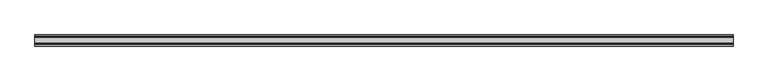
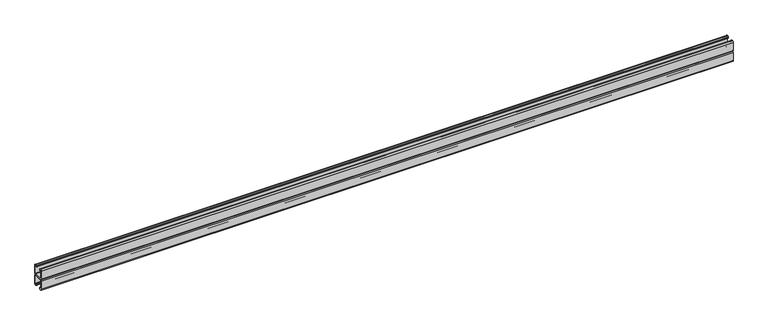
"""IFC4 building model written with IfcOpenShell, lengths in millimetres: proxy geometry."""

from ifc_helpers import new_model, si_unit, point, frame, frame_2d, origin, place, context, project, spatial, polyline, circle_curve, trimmed, segment, composite_curve, outline, extrude, source, transform, mapped, element, save


def specialty_equipment_af4a798a(model_context):
    return source(origin(), model_context, "Body", "SweptSolid", [
        extrude(outline(composite_curve([segment(polyline([(-16.5186879, 2943.733), (16.5186879, 2943.733)]), True, "CONTINUOUS"), segment(trimmed(circle_curve(frame_2d((16.5186879, 2945.1848121)), 1.4518121), [point((16.5186879, 2943.733))], [point((17.9705, 2945.1848121))], True, "CARTESIAN"), True, "CONTINUOUS"), segment(polyline([(17.9705, 2945.1848121), (17.9705, 2977.066)]), True, "CONTINUOUS"), segment(trimmed(circle_curve(frame_2d((15.6705, 2977.066)), 2.3), [point((17.9705, 2977.066))], [point((15.6705, 2979.366))], True, "CARTESIAN"), True, "CONTINUOUS"), segment(polyline([(15.6705, 2979.366), (14.4936781, 2979.366)]), True, "CONTINUOUS"), segment(trimmed(circle_curve(frame_2d((14.4936781, 2978.6518219)), 0.7141781), [point((14.4936781, 2979.366))], [point((13.7795, 2978.6518219))], True, "CARTESIAN"), True, "CONTINUOUS"), segment(polyline([(13.7795, 2978.6518219), (13.7795, 2976.2621)]), True, "CONTINUOUS"), segment(trimmed(circle_curve(frame_2d((12.446, 2976.2621)), 1.3335), [point((13.7795, 2976.2621))], [point((11.1125, 2976.2621))], False, "CARTESIAN"), True, "CONTINUOUS"), segment(polyline([(11.1125, 2976.2621), (11.1125, 2978.6518219)]), True, "CONTINUOUS"), segment(trimmed(circle_curve(frame_2d((14.5266781, 2978.6518219)), 3.4141781), [point((11.1125, 2978.6518219))], [point((14.5266781, 2982.066))], False, "CARTESIAN"), True, "CONTINUOUS"), segment(polyline([(14.5266781, 2982.066), (15.6705, 2982.066)]), True, "CONTINUOUS"), segment(trimmed(circle_curve(frame_2d((15.6705, 2977.066)), 5.0), [point((15.6705, 2982.066))], [point((20.6705, 2977.066))], False, "CARTESIAN"), True, "CONTINUOUS"), segment(polyline([(20.6705, 2977.066), (20.6705, 2945.1848121)]), True, "CONTINUOUS"), segment(trimmed(circle_curve(frame_2d((16.5186879, 2945.1848121)), 4.1518121), [point((20.6705, 2945.1848121))], [point((16.5186879, 2941.033))], False, "CARTESIAN"), True, "CONTINUOUS"), segment(polyline([(16.5186879, 2941.033), (-16.5186879, 2941.033)]), True, "CONTINUOUS"), segment(trimmed(circle_curve(frame_2d((-16.5186879, 2945.1848121)), 4.1518121), [point((-16.5186879, 2941.033))], [point((-20.6705, 2945.1848121))], False, "CARTESIAN"), True, "CONTINUOUS"), segment(polyline([(-20.6705, 2945.1848121), (-20.6705, 2977.066)]), True, "CONTINUOUS"), segment(trimmed(circle_curve(frame_2d((-15.6705, 2977.066)), 5.0), [point((-20.6705, 2977.066))], [point((-15.6705, 2982.066))], False, "CARTESIAN"), True, "CONTINUOUS"), segment(polyline([(-15.6705, 2982.066), (-14.5266781, 2982.066)]), True, "CONTINUOUS"), segment(trimmed(circle_curve(frame_2d((-14.5266781, 2978.6518219)), 3.4141781), [point((-14.5266781, 2982.066))], [point((-11.1125, 2978.6518219))], False, "CARTESIAN"), True, "CONTINUOUS"), segment(polyline([(-11.1125, 2978.6518219), (-11.1125, 2976.2621)]), True, "CONTINUOUS"), segment(trimmed(circle_curve(frame_2d((-12.446, 2976.2621)), 1.3335), [point((-11.1125, 2976.2621))], [point((-13.7795, 2976.2621))], False, "CARTESIAN"), True, "CONTINUOUS"), segment(polyline([(-13.7795, 2976.2621), (-13.7795, 2978.6518219)]), True, "CONTINUOUS"), segment(trimmed(circle_curve(frame_2d((-14.4936781, 2978.6518219)), 0.7141781), [point((-13.7795, 2978.6518219))], [point((-14.4936781, 2979.366))], True, "CARTESIAN"), True, "CONTINUOUS"), segment(polyline([(-14.4936781, 2979.366), (-15.6705, 2979.366)]), True, "CONTINUOUS"), segment(trimmed(circle_curve(frame_2d((-15.6705, 2977.066)), 2.3), [point((-15.6705, 2979.366))], [point((-17.9705, 2977.066))], True, "CARTESIAN"), True, "CONTINUOUS"), segment(polyline([(-17.9705, 2977.066), (-17.9705, 2945.1848121)]), True, "CONTINUOUS"), segment(trimmed(circle_curve(frame_2d((-16.5186879, 2945.1848121)), 1.4518121), [point((-17.9705, 2945.1848121))], [point((-16.5186879, 2943.733))], True, "CARTESIAN"), True, "CONTINUOUS")], self_intersect=False)), frame((-1293.5, 0.0, 0.0), z_axis=(1.0, 0.0, 0.0), x_axis=(0.0, 1.0, 0.0)), (0.0, 0.0, 1.0), 2587.0),
        extrude(outline(composite_curve([segment(polyline([(16.5186879, 2938.333), (-16.5186879, 2938.333)]), True, "CONTINUOUS"), segment(trimmed(circle_curve(frame_2d((-16.5186879, 2936.8811879)), 1.4518121), [point((-16.5186879, 2938.333))], [point((-17.9705, 2936.8811879))], True, "CARTESIAN"), True, "CONTINUOUS"), segment(polyline([(-17.9705, 2936.8811879), (-17.9705, 2905.0)]), True, "CONTINUOUS"), segment(trimmed(circle_curve(frame_2d((-15.6705, 2905.0)), 2.3), [point((-17.9705, 2905.0))], [point((-15.6705, 2902.7))], True, "CARTESIAN"), True, "CONTINUOUS"), segment(polyline([(-15.6705, 2902.7), (-14.4936781, 2902.7)]), True, "CONTINUOUS"), segment(trimmed(circle_curve(frame_2d((-14.4936781, 2903.4141781)), 0.7141781), [point((-14.4936781, 2902.7))], [point((-13.7795, 2903.4141781))], True, "CARTESIAN"), True, "CONTINUOUS"), segment(polyline([(-13.7795, 2903.4141781), (-13.7795, 2905.8039)]), True, "CONTINUOUS"), segment(trimmed(circle_curve(frame_2d((-12.446, 2905.8039)), 1.3335), [point((-13.7795, 2905.8039))], [point((-11.1125, 2905.8039))], False, "CARTESIAN"), True, "CONTINUOUS"), segment(polyline([(-11.1125, 2905.8039), (-11.1125, 2903.4141781)]), True, "CONTINUOUS"), segment(trimmed(circle_curve(frame_2d((-14.5266781, 2903.4141781)), 3.4141781), [point((-11.1125, 2903.4141781))], [point((-14.5266781, 2900.0))], False, "CARTESIAN"), True, "CONTINUOUS"), segment(polyline([(-14.5266781, 2900.0), (-15.6705, 2900.0)]), True, "CONTINUOUS"), segment(trimmed(circle_curve(frame_2d((-15.6705, 2905.0)), 5.0), [point((-15.6705, 2900.0))], [point((-20.6705, 2905.0))], False, "CARTESIAN"), True, "CONTINUOUS"), segment(polyline([(-20.6705, 2905.0), (-20.6705, 2936.8811879)]), True, "CONTINUOUS"), segment(trimmed(circle_curve(frame_2d((-16.5186879, 2936.8811879)), 4.1518121), [point((-20.6705, 2936.8811879))], [point((-16.5186879, 2941.033))], False, "CARTESIAN"), True, "CONTINUOUS"), segment(polyline([(-16.5186879, 2941.033), (16.5186879, 2941.033)]), True, "CONTINUOUS"), segment(trimmed(circle_curve(frame_2d((16.5186879, 2936.8811879)), 4.1518121), [point((16.5186879, 2941.033))], [point((20.6705, 2936.8811879))], False, "CARTESIAN"), True, "CONTINUOUS"), segment(polyline([(20.6705, 2936.8811879), (20.6705, 2905.0)]), True, "CONTINUOUS"), segment(trimmed(circle_curve(frame_2d((15.6705, 2905.0)), 5.0), [point((20.6705, 2905.0))], [point((15.6705, 2900.0))], False, "CARTESIAN"), True, "CONTINUOUS"), segment(polyline([(15.6705, 2900.0), (14.5266781, 2900.0)]), True, "CONTINUOUS"), segment(trimmed(circle_curve(frame_2d((14.5266781, 2903.4141781)), 3.4141781), [point((14.5266781, 2900.0))], [point((11.1125, 2903.4141781))], False, "CARTESIAN"), True, "CONTINUOUS"), segment(polyline([(11.1125, 2903.4141781), (11.1125, 2905.8039)]), True, "CONTINUOUS"), segment(trimmed(circle_curve(frame_2d((12.446, 2905.8039)), 1.3335), [point((11.1125, 2905.8039))], [point((13.7795, 2905.8039))], False, "CARTESIAN"), True, "CONTINUOUS"), segment(polyline([(13.7795, 2905.8039), (13.7795, 2903.4141781)]), True, "CONTINUOUS"), segment(trimmed(circle_curve(frame_2d((14.4936781, 2903.4141781)), 0.7141781), [point((13.7795, 2903.4141781))], [point((14.4936781, 2902.7))], True, "CARTESIAN"), True, "CONTINUOUS"), segment(polyline([(14.4936781, 2902.7), (15.6705, 2902.7)]), True, "CONTINUOUS"), segment(trimmed(circle_curve(frame_2d((15.6705, 2905.0)), 2.3), [point((15.6705, 2902.7))], [point((17.9705, 2905.0))], True, "CARTESIAN"), True, "CONTINUOUS"), segment(polyline([(17.9705, 2905.0), (17.9705, 2936.8811879)]), True, "CONTINUOUS"), segment(trimmed(circle_curve(frame_2d((16.5186879, 2936.8811879)), 1.4518121), [point((17.9705, 2936.8811879))], [point((16.5186879, 2938.333))], True, "CARTESIAN"), True, "CONTINUOUS")], self_intersect=False)), frame((-1293.5, 0.0, 0.0), z_axis=(1.0, 0.0, 0.0), x_axis=(0.0, 1.0, 0.0)), (0.0, 0.0, 1.0), 2587.0),
    ])


if __name__ == "__main__":
    model = new_model("IFC4")
    model_context = context("Model", 3, world=origin())
    ifc_project = project(units=[si_unit("LENGTHUNIT", "METRE", prefix="MILLI")], contexts=[model_context])
    site = spatial("IfcSite", under=ifc_project)
    building = spatial("IfcBuilding", under=site)
    placement = place(None, origin())
    specialty_equipment_shape = specialty_equipment_af4a798a(model_context)
    element("IfcBuildingElementProxy", 1, Name="Specialty Equipment", at=placement, inside=building, context=model_context, shape_type="MappedRepresentation", body=[
        mapped(specialty_equipment_shape, transform((0.0, 0.0, 0.0), x_axis=(1.0, 0.0, 0.0), y_axis=(0.0, 1.0, 0.0), z_axis=(0.0, 0.0, 1.0))),
    ])
    save(model, "model.ifc")
